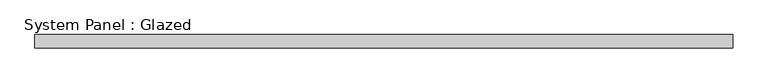
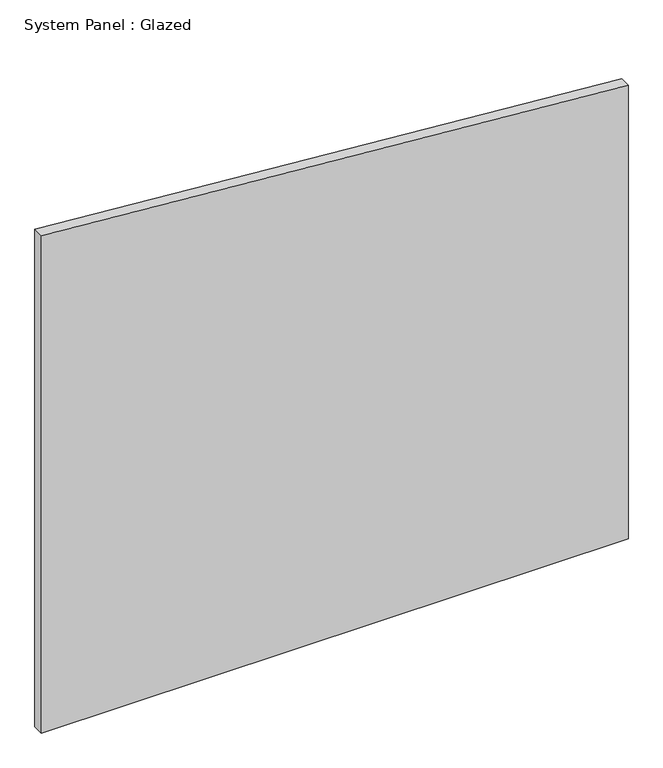
"""IFC4 building model written with IfcOpenShell, lengths in millimetres: plate geometry, System Panel : Glazed."""

from ifc_helpers import new_model, si_unit, frame, origin, place, context, project, spatial, polyline, outline, extrude, source, transform, mapped, element, save


def system_panel_glazed_00240c23(model_context):
    return source(origin(), model_context, "Body", "SweptSolid", [
        extrude(outline(polyline([(0.0, -669.175), (0.0, 669.175), (1094.0142054, 669.175), (1199.760493, -669.175), (0.0, -669.175)])), frame((0.0, 19.05, 0.0), z_axis=(0.0, 1.0, 0.0), x_axis=(0.0, 0.0, 1.0)), (0.0, 0.0, 1.0), 25.4),
    ])


if __name__ == "__main__":
    model = new_model("IFC4")
    model_context = context("Model", 3, world=origin())
    ifc_project = project(units=[si_unit("LENGTHUNIT", "METRE", prefix="MILLI")], contexts=[model_context])
    site = spatial("IfcSite", under=ifc_project)
    building = spatial("IfcBuilding", under=site)
    placement = place(None, origin())
    system_panel_glazed_shape = system_panel_glazed_00240c23(model_context)
    element("IfcPlate", 1, ObjectType="System Panel : Glazed", at=placement, inside=building, context=model_context, shape_type="MappedRepresentation", body=[
        mapped(system_panel_glazed_shape, transform((0.0, 0.0, 0.0), x_axis=(1.0, 0.0, 0.0), y_axis=(0.0, 1.0, 0.0), z_axis=(0.0, 0.0, 1.0))),
    ])
    save(model, "model.ifc")
